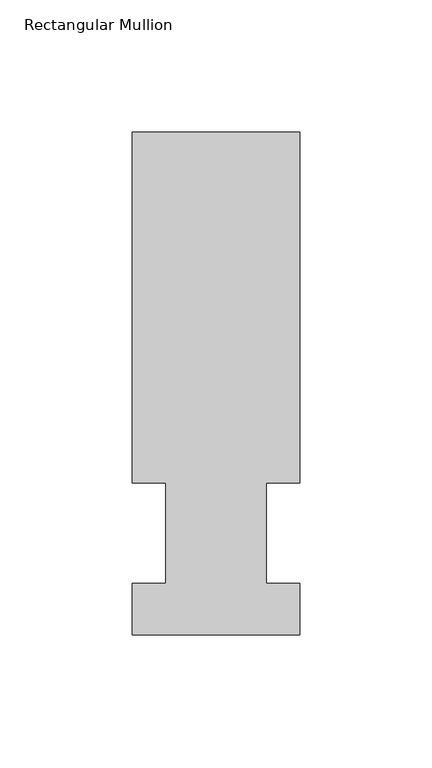
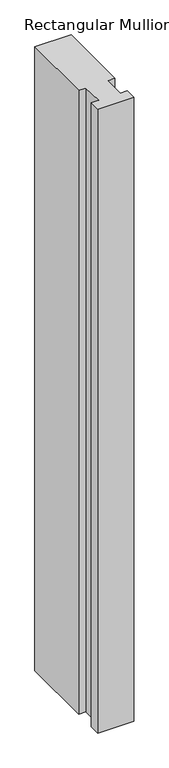
"""IFC4 building model written with IfcOpenShell, lengths in millimetres: member geometry, Rectangular Mullion."""

from ifc_helpers import new_model, si_unit, frame, origin, place, context, project, spatial, polyline, outline, extrude, source, transform, mapped, element, save


def rectangular_mullion_75bec599(model_context):
    return source(origin(), model_context, "Body", "SweptSolid", [
        extrude(outline(polyline([(31.75, 190.5896937), (31.75, 57.6460937), (19.05, 57.6460937), (19.05, 19.5460937), (31.75, 19.5460937), (31.75, 0.0134938), (-31.75, 0.0134938), (-31.75, 19.5460937), (-19.05, 19.5460937), (-19.05, 57.6460937), (-31.75, 57.6460937), (-31.75, 190.5896937), (31.75, 190.5896937)])), frame((0.0, 0.0, -1155.7), z_axis=(0.0, 0.0, 1.0), x_axis=(1.0, 0.0, 0.0)), (0.0, 0.0, 1.0), 1155.7),
    ])


if __name__ == "__main__":
    model = new_model("IFC4")
    model_context = context("Model", 3, world=origin())
    ifc_project = project(units=[si_unit("LENGTHUNIT", "METRE", prefix="MILLI")], contexts=[model_context])
    site = spatial("IfcSite", under=ifc_project)
    building = spatial("IfcBuilding", under=site)
    placement = place(None, origin())
    rectangular_mullion_shape = rectangular_mullion_75bec599(model_context)
    element("IfcMember", 1, ObjectType="Rectangular Mullion", at=placement, inside=building, context=model_context, shape_type="MappedRepresentation", body=[
        mapped(rectangular_mullion_shape, transform((0.0, 0.0, 0.0), x_axis=(1.0, 0.0, 0.0), y_axis=(0.0, 1.0, 0.0), z_axis=(0.0, 0.0, 1.0))),
    ])
    save(model, "model.ifc")
